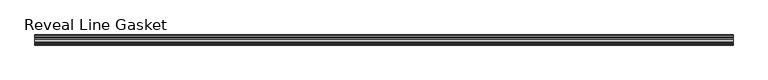
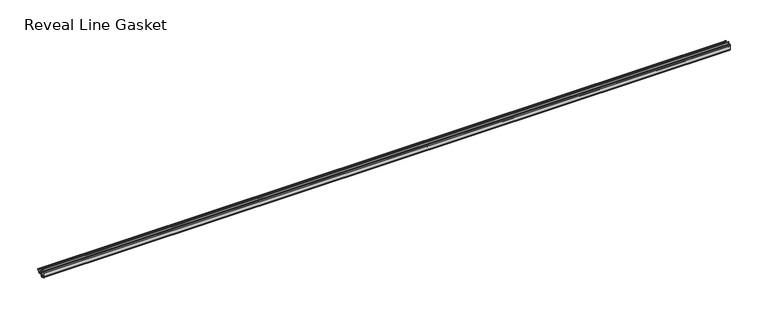
"""IFC4 building model written with IfcOpenShell, lengths in millimetres: furniture geometry, Reveal Line Gasket."""

import ifcopenshell
import ifcopenshell.guid

model = None  # the IFC model being written
_history = None  # IfcOwnerHistory: only IFC2X3 demands one
_inside = {}  # id of a spatial element -> (the spatial element, [elements in it])
_under = {}  # id of a project, library or spatial element -> (it, [spatial elements below it])
_declared = {}  # id of a project -> (the project, [libraries it declares])
_typed = {}  # id of a type object -> (the type object, [elements of that type])
_made_of = {}  # id of a material, layer set ... -> (it, [elements and type objects made of it])


def new_model(schema):
    """Start an empty IFC model of exactly this schema.

    Asked for "IFC4X3", IfcOpenShell would pick the latest addendum, in which some entities
    have other attributes; the version numbers below select the first issue.
    IFC2X3 requires an IfcOwnerHistory on every rooted entity: one is made here for all.
    """
    global model, _history
    if schema == "IFC4X3":
        model = ifcopenshell.file(schema_version=(4, 3, 0, 0))
    else:
        model = ifcopenshell.file(schema=schema)
    _inside.clear()
    _under.clear()
    _declared.clear()
    _typed.clear()
    _made_of.clear()
    _history = None
    if model.schema == "IFC2X3":
        org = make("IfcOrganization", Name="unknown")
        user = make(
            "IfcPersonAndOrganization",
            ThePerson=make("IfcPerson", FamilyName="unknown"),
            TheOrganization=org,
        )
        app = make(
            "IfcApplication",
            ApplicationDeveloper=org,
            Version="unknown",
            ApplicationFullName="unknown",
            ApplicationIdentifier="unknown",
        )
        _history = make(
            "IfcOwnerHistory",
            OwningUser=user,
            OwningApplication=app,
            ChangeAction="ADDED",
            CreationDate=0,
        )
    return model


def make(cls, **values):
    """One entity of the class cls with the attributes given. An attribute that is None is left unset."""
    return model.create_entity(
        cls, **{name: value for name, value in values.items() if value is not None}
    )


def rooted(cls, **values):
    """An entity with a GlobalId (a new one), such as an element, a storey or a relation."""
    return make(cls, GlobalId=ifcopenshell.guid.new(), OwnerHistory=_history, **values)


def si_unit(unit_type, name, prefix=None):
    """IfcSIUnit, for example si_unit("LENGTHUNIT", "METRE", prefix="MILLI")."""
    return make("IfcSIUnit", UnitType=unit_type, Prefix=prefix, Name=name)


def assignment(units):
    """IfcUnitAssignment: the units of a project."""
    return None if units is None else make("IfcUnitAssignment", Units=units)


def point(xyz):
    """IfcCartesianPoint."""
    return None if xyz is None else make("IfcCartesianPoint", Coordinates=xyz)


def direction(xyz):
    """IfcDirection."""
    return None if xyz is None else make("IfcDirection", DirectionRatios=xyz)


def frame(location, z_axis=None, x_axis=None):
    """IfcAxis2Placement3D, a coordinate frame: its origin and axes. An axis left out is left unset."""
    return make(
        "IfcAxis2Placement3D",
        Location=point(location),
        Axis=direction(z_axis),
        RefDirection=direction(x_axis),
    )


def frame_2d(location, x_axis=None):
    """IfcAxis2Placement2D, a coordinate frame in the plane: its origin and x axis."""
    return make(
        "IfcAxis2Placement2D", Location=point(location), RefDirection=direction(x_axis)
    )


def origin():
    """The frame at (0, 0, 0) with its axes left unset."""
    return frame((0.0, 0.0, 0.0))


def place(relative_to, where):
    """IfcLocalPlacement: puts the frame where relative to a parent placement (None: the world)."""
    return make(
        "IfcLocalPlacement", PlacementRelTo=relative_to, RelativePlacement=where
    )


def context(
    kind, dimensions, precision=None, world=None, true_north=None, identifier=None
):
    """IfcGeometricRepresentationContext, for example the 3D "Model" context."""
    return make(
        "IfcGeometricRepresentationContext",
        ContextIdentifier=identifier,
        ContextType=kind,
        CoordinateSpaceDimension=dimensions,
        Precision=precision,
        WorldCoordinateSystem=world,
        TrueNorth=true_north,
    )


def project(units=None, contexts=None):
    """IfcProject with its units and contexts."""
    return rooted(
        "IfcProject",
        Name="project",
        RepresentationContexts=contexts,
        UnitsInContext=assignment(units),
    )


def spatial(cls, under=None, at=None, **own):
    """A site, building, storey or space (cls), placed at a placement, below another one or the project."""
    s = rooted(cls, ObjectPlacement=at, **own)
    if under is not None:
        _under.setdefault(under.id(), (under, []))[1].append(s)
    return s


def polyline(points):
    """IfcPolyline through the points."""
    return make("IfcPolyline", Points=[point(p) for p in points])


def circle_curve(where, radius):
    """IfcCircle in the frame where."""
    return make("IfcCircle", Position=where, Radius=radius)


def trimmed(basis, trim1, trim2, sense, master):
    """IfcTrimmedCurve: the piece of a basis curve between two trims."""
    return make(
        "IfcTrimmedCurve",
        BasisCurve=basis,
        Trim1=trim1,
        Trim2=trim2,
        SenseAgreement=sense,
        MasterRepresentation=master,
    )


def segment(curve, same_sense, transition):
    """IfcCompositeCurveSegment."""
    return make(
        "IfcCompositeCurveSegment",
        Transition=transition,
        SameSense=same_sense,
        ParentCurve=curve,
    )


def composite_curve(segments, self_intersect=None):
    """IfcCompositeCurve: segments joined end to end."""
    return make("IfcCompositeCurve", Segments=segments, SelfIntersect=self_intersect)


def outline(outer, holes=None, kind="AREA"):
    """IfcArbitraryClosedProfileDef: a profile drawn as a closed curve; with holes, ...WithVoids."""
    if holes is None:
        return make("IfcArbitraryClosedProfileDef", ProfileType=kind, OuterCurve=outer)
    return make(
        "IfcArbitraryProfileDefWithVoids",
        ProfileType=kind,
        OuterCurve=outer,
        InnerCurves=holes,
    )


def extrude(swept, where, along, depth):
    """IfcExtrudedAreaSolid: the profile swept, set in the frame where, extruded along a direction by depth."""
    return make(
        "IfcExtrudedAreaSolid",
        SweptArea=swept,
        Position=where,
        ExtrudedDirection=direction(along),
        Depth=depth,
    )


def shape(context_of_items, identifier, shape_type, items):
    """IfcShapeRepresentation: the items that make up one representation, for example the "Body"."""
    return make(
        "IfcShapeRepresentation",
        ContextOfItems=context_of_items,
        RepresentationIdentifier=identifier,
        RepresentationType=shape_type,
        Items=items,
    )


def source(mapping_origin, context_of_items, identifier, shape_type, items):
    """IfcRepresentationMap: a shape defined once, which mapped items show again and again."""
    return make(
        "IfcRepresentationMap",
        MappingOrigin=mapping_origin,
        MappedRepresentation=shape(context_of_items, identifier, shape_type, items),
    )


def transform(
    local_origin,
    x_axis=None,
    y_axis=None,
    z_axis=None,
    scale=None,
    scale2=None,
    scale3=None,
    uniform=True,
):
    """IfcCartesianTransformationOperator3D, or its non-uniform kind. x_axis, y_axis, z_axis: its Axis1, 2, 3."""
    if uniform:
        return make(
            "IfcCartesianTransformationOperator3D",
            Axis1=direction(x_axis),
            Axis2=direction(y_axis),
            LocalOrigin=point(local_origin),
            Scale=scale,
            Axis3=direction(z_axis),
        )
    return make(
        "IfcCartesianTransformationOperator3DnonUniform",
        Axis1=direction(x_axis),
        Axis2=direction(y_axis),
        LocalOrigin=point(local_origin),
        Scale=scale,
        Axis3=direction(z_axis),
        Scale2=scale2,
        Scale3=scale3,
    )


def mapped(mapping_source, mapping_target):
    """IfcMappedItem: shows the shape of a source again, moved by a transform."""
    return make(
        "IfcMappedItem", MappingSource=mapping_source, MappingTarget=mapping_target
    )


def made_of(thing, what):
    """Note that an element or type object is made of a material, layer set ...; save() writes the relation."""
    if what is not None:
        _made_of.setdefault(what.id(), (what, []))[1].append(thing)
    return thing


def element(
    cls,
    number,
    at=None,
    inside=None,
    cuts=None,
    type_object=None,
    material=None,
    context=None,
    identifier="Body",
    shape_type=None,
    held_by="IfcProductDefinitionShape",
    body=None,
    shapes=None,
    **own,
):
    """One element of the class cls, such as IfcWall. Its Tag is "e" and its number.

    at: its placement. inside: the storey or other place that contains it. cuts: it is an
    opening in that element (IfcRelVoidsElement). A single representation is given by context,
    identifier, shape_type and body (its items); several are given by shapes. held_by: the class
    of the entity that holds the representations. save() writes the other relations.
    """
    e = rooted(cls, Tag="e%d" % number, ObjectPlacement=at, **own)
    if body is not None:
        shapes = [shape(context, identifier, shape_type, body)]
    if shapes is not None:
        e.Representation = make(held_by, Representations=shapes)
    if inside is not None:
        _inside.setdefault(inside.id(), (inside, []))[1].append(e)
    if cuts is not None:
        rooted(
            "IfcRelVoidsElement", RelatingBuildingElement=cuts, RelatedOpeningElement=e
        )
    if type_object is not None:
        _typed.setdefault(type_object.id(), (type_object, []))[1].append(e)
    return made_of(e, material)


def aggregate(whole, parts):
    """IfcRelAggregates: a whole, such as a stair, and the parts it consists of."""
    return rooted("IfcRelAggregates", RelatingObject=whole, RelatedObjects=parts)


def save(model, path):
    """Write the relations noted so far, then the file.

    IfcRelAggregates (storeys below a building ...), IfcRelContainedInSpatialStructure (elements
    in a storey), IfcRelDefinesByType, IfcRelAssociatesMaterial and IfcRelDeclares: one each for
    every whole, place, type object, material and project.
    """
    for whole, parts in _under.values():
        aggregate(whole, parts)
    for where, things in _inside.values():
        rooted(
            "IfcRelContainedInSpatialStructure",
            RelatedElements=things,
            RelatingStructure=where,
        )
    for kind, things in _typed.values():
        rooted("IfcRelDefinesByType", RelatedObjects=things, RelatingType=kind)
    for what, things in _made_of.values():
        rooted("IfcRelAssociatesMaterial", RelatedObjects=things, RelatingMaterial=what)
    for by, libraries in _declared.values():
        rooted("IfcRelDeclares", RelatingContext=by, RelatedDefinitions=libraries)
    model.write(path)


def reveal_line_gasket_23a5082f(model_context):
    return source(origin(), model_context, "Body", "SweptSolid", [
        extrude(outline(composite_curve([segment(polyline([(-7.6326998, 1603.2), (-7.4091917, 1604.1554927), (-6.8813059, 1605.0884684)]), True, "CONTINUOUS"), segment(trimmed(circle_curve(frame_2d((-6.5243141, 1604.8864793)), 0.4101739), [point((-6.8813059, 1605.0884684))], [point((-6.1246704, 1604.7941347))], False, "CARTESIAN"), True, "CONTINUOUS"), segment(polyline([(-6.1246704, 1604.7941347), (-6.3626997, 1603.0979086), (-6.3626997, 1601.0654527)]), True, "CONTINUOUS"), segment(trimmed(circle_curve(frame_2d((-5.6959605, 1601.4819258)), 0.786124), [point((-6.3626997, 1601.0654527))], [point((-5.0926996, 1600.977875))], True, "CARTESIAN"), True, "CONTINUOUS"), segment(polyline([(-5.0926996, 1600.977875), (-0.7492996, 1600.977875), (-3.7293824, 1606.1395295)]), True, "CONTINUOUS"), segment(trimmed(circle_curve(frame_2d((-3.3132479, 1606.2049761)), 0.4212495), [point((-3.7293824, 1606.1395295))], [point((-3.0485022, 1606.5326358))], False, "CARTESIAN"), True, "CONTINUOUS"), segment(polyline([(-3.0485022, 1606.5326358), (0.5742594, 1600.977875), (4.8262978, 1600.977875), (3.1660374, 1603.8535297)]), True, "CONTINUOUS"), segment(trimmed(circle_curve(frame_2d((3.5978728, 1603.9118855)), 0.4357605), [point((3.1660374, 1603.8535297))], [point((3.864328, 1604.2566881))], False, "CARTESIAN"), True, "CONTINUOUS"), segment(polyline([(3.864328, 1604.2566881), (6.1944059, 1600.977875), (7.6326998, 1600.977875), (7.6326998, 1599.422125), (6.1944059, 1599.422125), (3.864328, 1596.1433119)]), True, "CONTINUOUS"), segment(trimmed(circle_curve(frame_2d((3.5978728, 1596.4881145)), 0.4357605), [point((3.864328, 1596.1433119))], [point((3.1660374, 1596.5464703))], False, "CARTESIAN"), True, "CONTINUOUS"), segment(polyline([(3.1660374, 1596.5464703), (4.8262978, 1599.422125), (0.5742594, 1599.422125), (-3.0485022, 1593.8673642)]), True, "CONTINUOUS"), segment(trimmed(circle_curve(frame_2d((-3.3132479, 1594.1950239)), 0.4212495), [point((-3.0485022, 1593.8673642))], [point((-3.7293824, 1594.2604705))], False, "CARTESIAN"), True, "CONTINUOUS"), segment(polyline([(-3.7293824, 1594.2604705), (-0.7492996, 1599.422125), (-5.0926996, 1599.422125)]), True, "CONTINUOUS"), segment(trimmed(circle_curve(frame_2d((-5.6959605, 1598.9180742)), 0.786124), [point((-5.0926996, 1599.422125))], [point((-6.3626997, 1599.3345473))], True, "CARTESIAN"), True, "CONTINUOUS"), segment(polyline([(-6.3626997, 1599.3345473), (-6.3626997, 1597.3020914), (-6.1246704, 1595.6058653)]), True, "CONTINUOUS"), segment(trimmed(circle_curve(frame_2d((-6.5243141, 1595.5135207)), 0.4101739), [point((-6.1246704, 1595.6058653))], [point((-6.8813059, 1595.3115316))], False, "CARTESIAN"), True, "CONTINUOUS"), segment(polyline([(-6.8813059, 1595.3115316), (-7.4091917, 1596.2445073), (-7.6326998, 1597.2), (-7.6326998, 1603.2)]), True, "CONTINUOUS")], self_intersect=False)), frame((-525.1749999, 0.0, 0.0), z_axis=(1.0, 0.0, 0.0), x_axis=(0.0, 1.0, 0.0)), (0.0, 0.0, 1.0), 1050.3499999),
    ])


if __name__ == "__main__":
    model = new_model("IFC4")
    model_context = context("Model", 3, world=origin())
    ifc_project = project(units=[si_unit("LENGTHUNIT", "METRE", prefix="MILLI")], contexts=[model_context])
    site = spatial("IfcSite", under=ifc_project)
    building = spatial("IfcBuilding", under=site)
    placement = place(None, origin())
    reveal_line_gasket_shape = reveal_line_gasket_23a5082f(model_context)
    element("IfcFurniture", 1, ObjectType="Reveal Line Gasket", at=placement, inside=building, context=model_context, shape_type="MappedRepresentation", body=[
        mapped(reveal_line_gasket_shape, transform((0.0, 0.0, 0.0), x_axis=(1.0, 0.0, 0.0), y_axis=(0.0, 1.0, 0.0), z_axis=(0.0, 0.0, 1.0))),
    ])
    save(model, "model.ifc")
